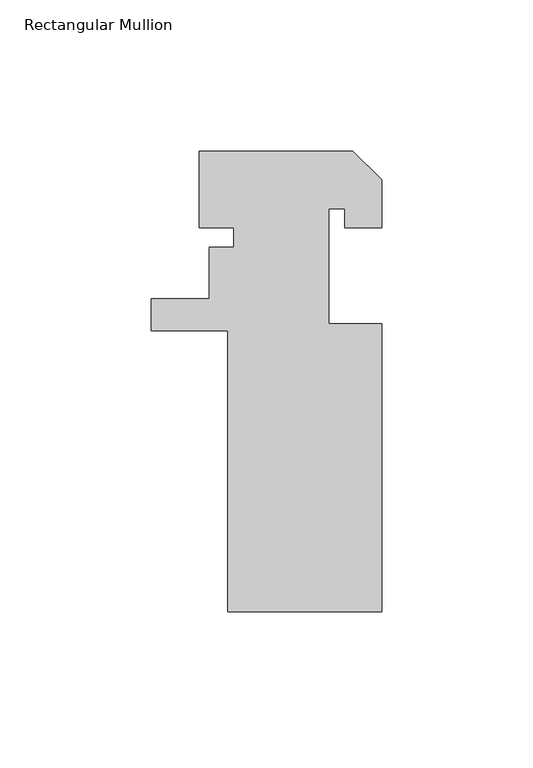
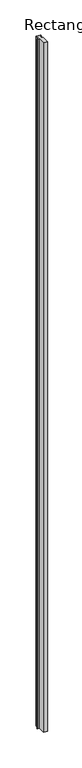
"""IFC4 building model written with IfcOpenShell, lengths in millimetres: member geometry, Rectangular Mullion."""

from ifc_helpers import new_model, si_unit, frame, origin, place, context, project, spatial, polyline, outline, extrude, source, transform, mapped, element, save


def rectangular_mullion_c9d15b76(model_context):
    return source(origin(), model_context, "Body", "SweptSolid", [
        extrude(outline(polyline([(15.875, 0.0), (25.4, -9.525), (25.4, -25.4), (13.208, -25.4), (13.208, -19.05), (7.9502, -19.05), (7.9502, -57.1500019), (25.4, -57.1500019), (25.4, -152.4), (-25.4, -152.4), (-25.4, -59.436), (-50.8, -59.436), (-50.8, -48.8961543), (-31.623, -48.8961543), (-31.623, -31.7503963), (-23.3960095, -31.7503963), (-23.3960095, -25.4), (-34.925, -25.4), (-34.925, 0.0), (15.875, 0.0)])), frame((0.0, 0.0, -9448.8), z_axis=(0.0, 0.0, 1.0), x_axis=(1.0, 0.0, 0.0)), (0.0, 0.0, 1.0), 9448.8),
    ])


if __name__ == "__main__":
    model = new_model("IFC4")
    model_context = context("Model", 3, world=origin())
    ifc_project = project(units=[si_unit("LENGTHUNIT", "METRE", prefix="MILLI")], contexts=[model_context])
    site = spatial("IfcSite", under=ifc_project)
    building = spatial("IfcBuilding", under=site)
    placement = place(None, origin())
    rectangular_mullion_shape = rectangular_mullion_c9d15b76(model_context)
    element("IfcMember", 1, ObjectType="Rectangular Mullion", at=placement, inside=building, context=model_context, shape_type="MappedRepresentation", body=[
        mapped(rectangular_mullion_shape, transform((0.0, 0.0, 0.0), x_axis=(1.0, 0.0, 0.0), y_axis=(0.0, 1.0, 0.0), z_axis=(0.0, 0.0, 1.0))),
    ])
    save(model, "model.ifc")
